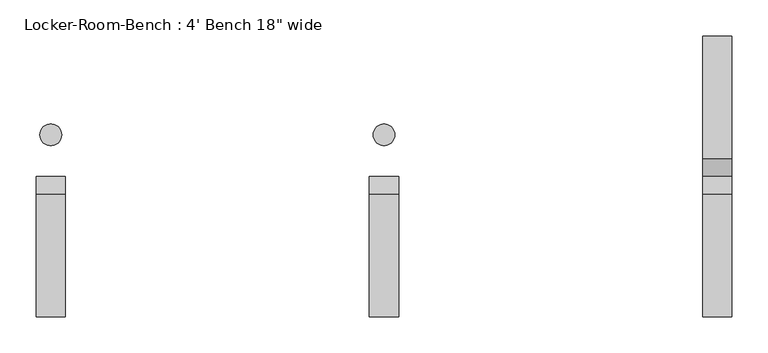
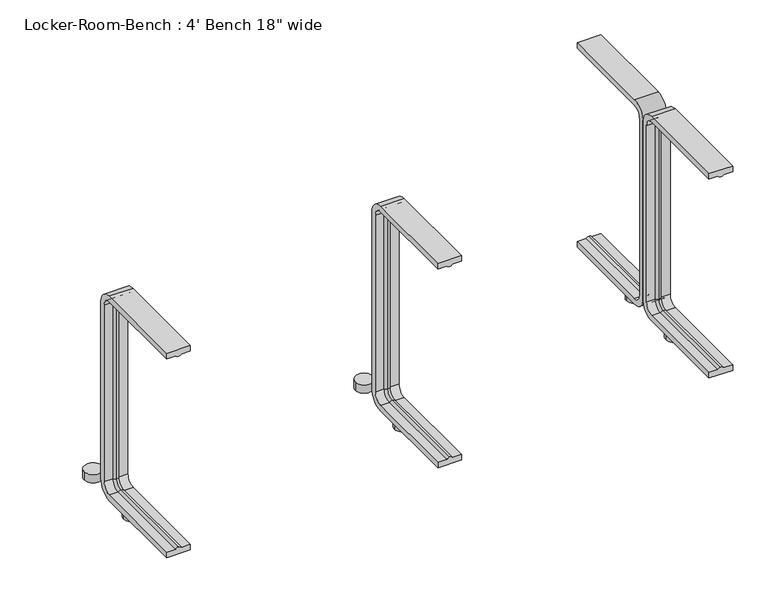
"""IFC4 building model written with IfcOpenShell, lengths in millimetres: proxy geometry."""

from ifc_helpers import new_model, si_unit, point, frame, frame_2d, origin, origin_with_axes, place, context, project, spatial, polyline, circle_curve, ellipse_curve, trimmed, segment, composite_curve, outline, extrude, source, transform, mapped, element, save
from ifc_brep_helpers import plane_surface, cylinder_surface, revolved_surface, advanced_brep


def proxy_384fcff8(model_context):
    return source(origin(), model_context, "Body", "SolidModel", [
        extrude(outline(composite_curve([segment(trimmed(circle_curve(frame_2d((459.6, 57.5)), 15.0), [point((444.6, 57.5))], [point((474.6, 57.5))], False, "CARTESIAN"), True, "CONTINUOUS"), segment(trimmed(circle_curve(frame_2d((459.6, 57.5)), 15.0), [point((474.6, 57.5))], [point((444.6, 57.5))], False, "CARTESIAN"), True, "CONTINUOUS")], self_intersect=False)), origin_with_axes(), (0.0, 0.0, 1.0), 15.0),
        extrude(outline(composite_curve([segment(trimmed(circle_curve(frame_2d((459.6, -57.5)), 15.0), [point((444.6, -57.5))], [point((474.6, -57.5))], False, "CARTESIAN"), True, "CONTINUOUS"), segment(trimmed(circle_curve(frame_2d((459.6, -57.5)), 15.0), [point((474.6, -57.5))], [point((444.6, -57.5))], False, "CARTESIAN"), True, "CONTINUOUS")], self_intersect=False)), origin_with_axes(), (0.0, 0.0, 1.0), 15.0),
        extrude(outline(composite_curve([segment(trimmed(circle_curve(frame_2d((0.0, 57.5)), 15.0), [point((-15.0, 57.5))], [point((15.0, 57.5))], False, "CARTESIAN"), True, "CONTINUOUS"), segment(trimmed(circle_curve(frame_2d((0.0, 57.5)), 15.0), [point((15.0, 57.5))], [point((-15.0, 57.5))], False, "CARTESIAN"), True, "CONTINUOUS")], self_intersect=False)), origin_with_axes(), (0.0, 0.0, 1.0), 15.0),
        extrude(outline(composite_curve([segment(trimmed(circle_curve(frame_2d((0.0, -57.5)), 15.0), [point((-15.0, -57.5))], [point((15.0, -57.5))], False, "CARTESIAN"), True, "CONTINUOUS"), segment(trimmed(circle_curve(frame_2d((0.0, -57.5)), 15.0), [point((15.0, -57.5))], [point((-15.0, -57.5))], False, "CARTESIAN"), True, "CONTINUOUS")], self_intersect=False)), origin_with_axes(), (0.0, 0.0, 1.0), 15.0),
        extrude(outline(composite_curve([segment(trimmed(circle_curve(frame_2d((-459.6, 57.5)), 15.0), [point((-474.6, 57.5))], [point((-444.6, 57.5))], False, "CARTESIAN"), True, "CONTINUOUS"), segment(trimmed(circle_curve(frame_2d((-459.6, 57.5)), 15.0), [point((-444.6, 57.5))], [point((-474.6, 57.5))], False, "CARTESIAN"), True, "CONTINUOUS")], self_intersect=False)), origin_with_axes(), (0.0, 0.0, 1.0), 15.0),
        extrude(outline(composite_curve([segment(trimmed(circle_curve(frame_2d((-459.6, -57.5)), 15.0), [point((-474.6, -57.5))], [point((-444.6, -57.5))], False, "CARTESIAN"), True, "CONTINUOUS"), segment(trimmed(circle_curve(frame_2d((-459.6, -57.5)), 15.0), [point((-444.6, -57.5))], [point((-474.6, -57.5))], False, "CARTESIAN"), True, "CONTINUOUS")], self_intersect=False)), origin_with_axes(), (0.0, 0.0, 1.0), 15.0),
        advanced_brep(
        [(479.6, -193.6, 381.4), (439.6, -193.6, 381.4), (439.6, -193.6, 371.4), (454.6, -193.6, 371.4), (459.6, -193.6, 369.0684617), (464.6, -193.6, 371.4), (479.6, -193.6, 371.4), (479.6, -25.0, 371.4), (479.6, -10.0, 356.4), (479.6, -10.0, 40.0), (479.6, -25.0, 25.0), (479.6, -193.6, 25.0), (479.6, -193.6, 15.0), (479.6, -25.0, 15.0), (479.6, 0.0, 40.0), (479.6, 0.0, 356.4), (479.6, -25.0, 381.4), (464.6, -25.0, 371.4), (459.6, -25.0, 369.0684617), (454.6, -25.0, 371.4), (439.6, -25.0, 371.4), (439.6, -25.0, 381.4), (439.6, 0.0, 356.4), (439.6, 0.0, 40.0), (439.6, -25.0, 15.0), (439.6, -193.6, 15.0), (439.6, -193.6, 25.0), (439.6, -25.0, 25.0), (439.6, -10.0, 40.0), (439.6, -10.0, 356.4), (464.6, -10.0, 356.4), (459.6, -12.3315383, 356.4), (454.6, -10.0, 356.4), (464.6, -10.0, 40.0), (459.6, -12.3315383, 40.0), (454.6, -10.0, 40.0), (464.6, -25.0, 25.0), (459.6, -25.0, 27.3315383), (454.6, -25.0, 25.0), (464.6, -193.6, 25.0), (459.6, -193.6, 27.3315383), (454.6, -193.6, 25.0)],
        [
            (0, 1),
            (1, 2),
            (2, 3),
            (3, 4, circle_curve(frame((459.3003591, -193.6, 374.9529162), z_axis=(0.0, -1.0, 0.0), x_axis=(0.0, 0.0, -1.0)), 5.8920785)),
            (4, 5, circle_curve(frame((459.8996409, -193.6, 374.9529162), z_axis=(0.0, -1.0, 0.0), x_axis=(0.0, 0.0, -1.0)), 5.8920785)),
            (5, 6),
            (6, 0),
            (6, 7),
            (7, 8, circle_curve(frame((479.6, -25.0, 356.4), z_axis=(-1.0, 0.0, 0.0), x_axis=(0.0, 0.0, 1.0)), 15.0)),
            (8, 9),
            (9, 10, circle_curve(frame((479.6, -25.0, 40.0), z_axis=(-1.0, 0.0, 0.0), x_axis=(0.0, 1.0, 0.0)), 15.0)),
            (10, 11),
            (11, 12),
            (12, 13),
            (13, 14, circle_curve(frame((479.6, -25.0, 40.0), z_axis=(1.0, 0.0, 0.0), x_axis=(0.0, 1.0, 0.0)), 25.0)),
            (14, 15),
            (15, 16, circle_curve(frame((479.6, -25.0, 356.4), z_axis=(1.0, 0.0, 0.0), x_axis=(0.0, 0.0, 1.0)), 25.0)),
            (16, 0),
            (5, 17),
            (17, 7),
            (4, 18),
            (18, 17, circle_curve(frame((459.8996409, -25.0, 374.9529162), z_axis=(0.0, -1.0, 0.0), x_axis=(0.0, 0.0, -1.0)), 5.8920785)),
            (3, 19),
            (19, 18, circle_curve(frame((459.3003591, -25.0, 374.9529162), z_axis=(0.0, -1.0, 0.0), x_axis=(0.0, 0.0, -1.0)), 5.8920785)),
            (2, 20),
            (20, 19),
            (1, 21),
            (21, 22, circle_curve(frame((439.6, -25.0, 356.4), z_axis=(-1.0, 0.0, 0.0), x_axis=(0.0, 0.0, 1.0)), 25.0)),
            (22, 23),
            (23, 24, circle_curve(frame((439.6, -25.0, 40.0), z_axis=(-1.0, 0.0, 0.0), x_axis=(0.0, 1.0, 0.0)), 25.0)),
            (24, 25),
            (25, 26),
            (26, 27),
            (27, 28, circle_curve(frame((439.6, -25.0, 40.0), z_axis=(1.0, 0.0, 0.0), x_axis=(0.0, 1.0, 0.0)), 15.0)),
            (28, 29),
            (29, 20, circle_curve(frame((439.6, -25.0, 356.4), z_axis=(1.0, 0.0, 0.0), x_axis=(0.0, 0.0, 1.0)), 15.0)),
            (16, 21),
            (30, 8),
            (17, 30, circle_curve(frame((464.6, -25.0, 356.4), z_axis=(-1.0, 0.0, 0.0), x_axis=(0.0, 0.0, 1.0)), 15.0)),
            (31, 30, circle_curve(frame((459.8996409, -6.4470838, 356.4), z_axis=(0.0, 0.0, 1.0), x_axis=(0.0, -1.0, 0.0)), 5.8920785)),
            (18, 31, circle_curve(frame((459.6, -25.0, 356.4), z_axis=(-1.0, 0.0, 0.0), x_axis=(0.0, 0.0, 1.0)), 12.6684617)),
            (32, 31, circle_curve(frame((459.3003591, -6.4470838, 356.4), z_axis=(0.0, 0.0, 1.0), x_axis=(0.0, -1.0, 0.0)), 5.8920785)),
            (19, 32, circle_curve(frame((454.6, -25.0, 356.4), z_axis=(-1.0, 0.0, 0.0), x_axis=(0.0, 0.0, 1.0)), 15.0)),
            (29, 32),
            (15, 22),
            (30, 33),
            (33, 9),
            (31, 34),
            (34, 33, circle_curve(frame((459.8996409, -6.4470838, 40.0), z_axis=(0.0, 0.0, 1.0), x_axis=(0.0, -1.0, 0.0)), 5.8920785)),
            (32, 35),
            (35, 34, circle_curve(frame((459.3003591, -6.4470838, 40.0), z_axis=(0.0, 0.0, 1.0), x_axis=(0.0, -1.0, 0.0)), 5.8920785)),
            (28, 35),
            (14, 23),
            (36, 10),
            (33, 36, circle_curve(frame((464.6, -25.0, 40.0), z_axis=(-1.0, 0.0, 0.0), x_axis=(0.0, 1.0, 0.0)), 15.0)),
            (37, 36, circle_curve(frame((459.8996409, -25.0, 21.4470838), z_axis=(0.0, 1.0, 0.0), x_axis=(0.0, 0.0, 1.0)), 5.8920785)),
            (34, 37, circle_curve(frame((459.6, -25.0, 40.0), z_axis=(-1.0, 0.0, 0.0), x_axis=(0.0, 1.0, 0.0)), 12.6684617)),
            (38, 37, circle_curve(frame((459.3003591, -25.0, 21.4470838), z_axis=(0.0, 1.0, 0.0), x_axis=(0.0, 0.0, 1.0)), 5.8920785)),
            (35, 38, circle_curve(frame((454.6, -25.0, 40.0), z_axis=(-1.0, 0.0, 0.0), x_axis=(0.0, 1.0, 0.0)), 15.0)),
            (27, 38),
            (13, 24),
            (11, 39),
            (39, 40, circle_curve(frame((459.8996409, -193.6, 21.4470838), z_axis=(0.0, -1.0, 0.0), x_axis=(0.0, 0.0, 1.0)), 5.8920785)),
            (40, 41, circle_curve(frame((459.3003591, -193.6, 21.4470838), z_axis=(0.0, -1.0, 0.0), x_axis=(0.0, 0.0, 1.0)), 5.8920785)),
            (41, 26),
            (25, 12),
            (36, 39),
            (37, 40),
            (38, 41),
        ],
        [
            plane_surface(frame((459.6, -193.6, 381.4), z_axis=(0.0, -1.0, 0.0), x_axis=(1.0, 0.0, 0.0))),
            plane_surface(frame((479.6, -193.6, 381.4), z_axis=(1.0, 0.0, 0.0), x_axis=(0.0, 1.0, 0.0))),
            plane_surface(frame((479.6, -193.6, 371.4), z_axis=(0.0, 0.0, -1.0), x_axis=(0.0, 1.0, 0.0))),
            cylinder_surface(frame((459.8996409, -193.6, 374.9529162), z_axis=(0.0, -1.0, 0.0), x_axis=(0.0, 0.0, -1.0)), 5.8920785),
            cylinder_surface(frame((459.3003591, -193.6, 374.9529162), z_axis=(0.0, -1.0, 0.0), x_axis=(0.0, 0.0, -1.0)), 5.8920785),
            plane_surface(frame((454.6, -193.6, 371.4), z_axis=(0.0, 0.0, -1.0), x_axis=(0.0, 1.0, 0.0))),
            plane_surface(frame((439.6, -193.6, 371.4), z_axis=(-1.0, 0.0, 0.0), x_axis=(0.0, 1.0, 0.0))),
            plane_surface(frame((439.6, -193.6, 381.4), z_axis=(0.0, 0.0, 1.0), x_axis=(0.0, 1.0, 0.0))),
            revolved_surface(polyline([(479.6, -25.0, 371.4), (464.6, -25.0, 371.4)]), (459.6, -25.0, 356.4), (1.0, 0.0, 0.0)),
            revolved_surface(trimmed(ellipse_curve(frame((459.8996409, -25.0, 374.9529162), z_axis=(0.0, 1.0, 0.0), x_axis=(0.0, 0.0, -1.0)), 5.8920785, 5.8920785), [point((464.6, -25.0, 371.4))], [point((459.6, -25.0, 369.0684617))], True, "CARTESIAN"), (459.6, -25.0, 356.4), (1.0, 0.0, 0.0)),
            revolved_surface(trimmed(ellipse_curve(frame((459.3003591, -25.0, 374.9529162), z_axis=(0.0, 1.0, 0.0), x_axis=(0.0, 0.0, -1.0)), 5.8920785, 5.8920785), [point((459.6, -25.0, 369.0684617))], [point((454.6, -25.0, 371.4))], True, "CARTESIAN"), (459.6, -25.0, 356.4), (1.0, 0.0, 0.0)),
            revolved_surface(polyline([(454.6, -25.0, 371.4), (439.6, -25.0, 371.4)]), (459.6, -25.0, 356.4), (1.0, 0.0, 0.0)),
            cylinder_surface(frame((459.6, -25.0, 356.4), z_axis=(1.0, 0.0, 0.0), x_axis=(0.0, 0.0, 1.0)), 25.0),
            plane_surface(frame((479.6, -10.0, 356.4), z_axis=(0.0, -1.0, 0.0), x_axis=(0.0, 0.0, -1.0))),
            cylinder_surface(frame((459.8996409, -6.4470838, 356.4), z_axis=(0.0, 0.0, 1.0), x_axis=(0.0, -1.0, 0.0)), 5.8920785),
            cylinder_surface(frame((459.3003591, -6.4470838, 356.4), z_axis=(0.0, 0.0, 1.0), x_axis=(0.0, -1.0, 0.0)), 5.8920785),
            plane_surface(frame((454.6, -10.0, 356.4), z_axis=(0.0, -1.0, 0.0), x_axis=(0.0, 0.0, -1.0))),
            plane_surface(frame((439.6, 0.0, 356.4), z_axis=(0.0, 1.0, 0.0), x_axis=(0.0, 0.0, -1.0))),
            revolved_surface(polyline([(479.6, -10.0, 40.0), (464.6, -10.0, 40.0)]), (459.6, -25.0, 40.0), (1.0, 0.0, 0.0)),
            revolved_surface(trimmed(ellipse_curve(frame((459.8996409, -6.4470838, 40.0), z_axis=(0.0, 0.0, -1.0), x_axis=(0.0, -1.0, 0.0)), 5.8920785, 5.8920785), [point((464.6, -10.0, 40.0))], [point((459.6, -12.3315383, 40.0))], True, "CARTESIAN"), (459.6, -25.0, 40.0), (1.0, 0.0, 0.0)),
            revolved_surface(trimmed(ellipse_curve(frame((459.3003591, -6.4470838, 40.0), z_axis=(0.0, 0.0, -1.0), x_axis=(0.0, -1.0, 0.0)), 5.8920785, 5.8920785), [point((459.6, -12.3315383, 40.0))], [point((454.6, -10.0, 40.0))], True, "CARTESIAN"), (459.6, -25.0, 40.0), (1.0, 0.0, 0.0)),
            revolved_surface(polyline([(454.6, -10.0, 40.0), (439.6, -10.0, 40.0)]), (459.6, -25.0, 40.0), (1.0, 0.0, 0.0)),
            cylinder_surface(frame((459.6, -25.0, 40.0), z_axis=(1.0, 0.0, 0.0), x_axis=(0.0, 1.0, 0.0)), 25.0),
            plane_surface(frame((459.6, -193.6, 15.0), z_axis=(0.0, -1.0, 0.0), x_axis=(1.0, 0.0, 0.0))),
            plane_surface(frame((479.6, -25.0, 25.0), z_axis=(0.0, 0.0, 1.0), x_axis=(0.0, -1.0, 0.0))),
            cylinder_surface(frame((459.8996409, -25.0, 21.4470838), z_axis=(0.0, 1.0, 0.0), x_axis=(0.0, 0.0, 1.0)), 5.8920785),
            cylinder_surface(frame((459.3003591, -25.0, 21.4470838), z_axis=(0.0, 1.0, 0.0), x_axis=(0.0, 0.0, 1.0)), 5.8920785),
            plane_surface(frame((454.6, -25.0, 25.0), z_axis=(0.0, 0.0, 1.0), x_axis=(0.0, -1.0, 0.0))),
            plane_surface(frame((439.6, -25.0, 15.0), z_axis=(0.0, 0.0, -1.0), x_axis=(0.0, -1.0, 0.0))),
        ],
        [
            (0, [[1, 2, 3, 4, 5, 6, 7]]),
            (1, [[8, 9, 10, 11, 12, 13, 14, 15, 16, 17, 18, -7]]),
            (2, [[19, 20, -8, -6]]),
            (3, [[21, 22, -19, -5]]),
            (4, [[23, 24, -21, -4]]),
            (5, [[25, 26, -23, -3]]),
            (6, [[27, 28, 29, 30, 31, 32, 33, 34, 35, 36, -25, -2]]),
            (7, [[-18, 37, -27, -1]]),
            (8, [[38, -9, -20, 39]]),
            (9, [[40, -39, -22, 41]]),
            (10, [[42, -41, -24, 43]]),
            (11, [[44, -43, -26, -36]]),
            (12, [[45, -28, -37, -17]]),
            (13, [[46, 47, -10, -38]]),
            (14, [[48, 49, -46, -40]]),
            (15, [[50, 51, -48, -42]]),
            (16, [[-35, 52, -50, -44]]),
            (17, [[-16, 53, -29, -45]]),
            (18, [[54, -11, -47, 55]]),
            (19, [[56, -55, -49, 57]]),
            (20, [[58, -57, -51, 59]]),
            (21, [[60, -59, -52, -34]]),
            (22, [[61, -30, -53, -15]]),
            (23, [[-13, 62, 63, 64, 65, -32, 66]]),
            (24, [[67, -62, -12, -54]]),
            (25, [[68, -63, -67, -56]]),
            (26, [[69, -64, -68, -58]]),
            (27, [[-33, -65, -69, -60]]),
            (28, [[-14, -66, -31, -61]]),
        ],
    ),
        advanced_brep(
        [(20.0, -193.6, 381.4), (-20.0, -193.6, 381.4), (-20.0, -193.6, 371.4), (-5.0, -193.6, 371.4), (0.0, -193.6, 369.0684617), (5.0, -193.6, 371.4), (20.0, -193.6, 371.4), (20.0, -25.0, 371.4), (20.0, -10.0, 356.4), (20.0, -10.0, 40.0), (20.0, -25.0, 25.0), (20.0, -193.6, 25.0), (20.0, -193.6, 15.0), (20.0, -25.0, 15.0), (20.0, 0.0, 40.0), (20.0, 0.0, 356.4), (20.0, -25.0, 381.4), (5.0, -25.0, 371.4), (0.0, -25.0, 369.0684617), (-5.0, -25.0, 371.4), (-20.0, -25.0, 371.4), (-20.0, -25.0, 381.4), (-20.0, 0.0, 356.4), (-20.0, 0.0, 40.0), (-20.0, -25.0, 15.0), (-20.0, -193.6, 15.0), (-20.0, -193.6, 25.0), (-20.0, -25.0, 25.0), (-20.0, -10.0, 40.0), (-20.0, -10.0, 356.4), (5.0, -10.0, 356.4), (0.0, -12.3315383, 356.4), (-5.0, -10.0, 356.4), (5.0, -10.0, 40.0), (0.0, -12.3315383, 40.0), (-5.0, -10.0, 40.0), (5.0, -25.0, 25.0), (0.0, -25.0, 27.3315383), (-5.0, -25.0, 25.0), (5.0, -193.6, 25.0), (0.0, -193.6, 27.3315383), (-5.0, -193.6, 25.0)],
        [
            (0, 1),
            (1, 2),
            (2, 3),
            (3, 4, circle_curve(frame((-0.2996409, -193.6, 374.9529162), z_axis=(0.0, -1.0, 0.0), x_axis=(0.0, 0.0, -1.0)), 5.8920785)),
            (4, 5, circle_curve(frame((0.2996409, -193.6, 374.9529162), z_axis=(0.0, -1.0, 0.0), x_axis=(0.0, 0.0, -1.0)), 5.8920785)),
            (5, 6),
            (6, 0),
            (6, 7),
            (7, 8, circle_curve(frame((20.0, -25.0, 356.4), z_axis=(-1.0, 0.0, 0.0), x_axis=(0.0, 0.0, 1.0)), 15.0)),
            (8, 9),
            (9, 10, circle_curve(frame((20.0, -25.0, 40.0), z_axis=(-1.0, 0.0, 0.0), x_axis=(0.0, 1.0, 0.0)), 15.0)),
            (10, 11),
            (11, 12),
            (12, 13),
            (13, 14, circle_curve(frame((20.0, -25.0, 40.0), z_axis=(1.0, 0.0, 0.0), x_axis=(0.0, 1.0, 0.0)), 25.0)),
            (14, 15),
            (15, 16, circle_curve(frame((20.0, -25.0, 356.4), z_axis=(1.0, 0.0, 0.0), x_axis=(0.0, 0.0, 1.0)), 25.0)),
            (16, 0),
            (5, 17),
            (17, 7),
            (4, 18),
            (18, 17, circle_curve(frame((0.2996409, -25.0, 374.9529162), z_axis=(0.0, -1.0, 0.0), x_axis=(0.0, 0.0, -1.0)), 5.8920785)),
            (3, 19),
            (19, 18, circle_curve(frame((-0.2996409, -25.0, 374.9529162), z_axis=(0.0, -1.0, 0.0), x_axis=(0.0, 0.0, -1.0)), 5.8920785)),
            (2, 20),
            (20, 19),
            (1, 21),
            (21, 22, circle_curve(frame((-20.0, -25.0, 356.4), z_axis=(-1.0, 0.0, 0.0), x_axis=(0.0, 0.0, 1.0)), 25.0)),
            (22, 23),
            (23, 24, circle_curve(frame((-20.0, -25.0, 40.0), z_axis=(-1.0, 0.0, 0.0), x_axis=(0.0, 1.0, 0.0)), 25.0)),
            (24, 25),
            (25, 26),
            (26, 27),
            (27, 28, circle_curve(frame((-20.0, -25.0, 40.0), z_axis=(1.0, 0.0, 0.0), x_axis=(0.0, 1.0, 0.0)), 15.0)),
            (28, 29),
            (29, 20, circle_curve(frame((-20.0, -25.0, 356.4), z_axis=(1.0, 0.0, 0.0), x_axis=(0.0, 0.0, 1.0)), 15.0)),
            (16, 21),
            (30, 8),
            (17, 30, circle_curve(frame((5.0, -25.0, 356.4), z_axis=(-1.0, 0.0, 0.0), x_axis=(0.0, 0.0, 1.0)), 15.0)),
            (31, 30, circle_curve(frame((0.2996409, -6.4470838, 356.4), z_axis=(0.0, 0.0, 1.0), x_axis=(0.0, -1.0, 0.0)), 5.8920785)),
            (18, 31, circle_curve(frame((0.0, -25.0, 356.4), z_axis=(-1.0, 0.0, 0.0), x_axis=(0.0, 0.0, 1.0)), 12.6684617)),
            (32, 31, circle_curve(frame((-0.2996409, -6.4470838, 356.4), z_axis=(0.0, 0.0, 1.0), x_axis=(0.0, -1.0, 0.0)), 5.8920785)),
            (19, 32, circle_curve(frame((-5.0, -25.0, 356.4), z_axis=(-1.0, 0.0, 0.0), x_axis=(0.0, 0.0, 1.0)), 15.0)),
            (29, 32),
            (15, 22),
            (30, 33),
            (33, 9),
            (31, 34),
            (34, 33, circle_curve(frame((0.2996409, -6.4470838, 40.0), z_axis=(0.0, 0.0, 1.0), x_axis=(0.0, -1.0, 0.0)), 5.8920785)),
            (32, 35),
            (35, 34, circle_curve(frame((-0.2996409, -6.4470838, 40.0), z_axis=(0.0, 0.0, 1.0), x_axis=(0.0, -1.0, 0.0)), 5.8920785)),
            (28, 35),
            (14, 23),
            (36, 10),
            (33, 36, circle_curve(frame((5.0, -25.0, 40.0), z_axis=(-1.0, 0.0, 0.0), x_axis=(0.0, 1.0, 0.0)), 15.0)),
            (37, 36, circle_curve(frame((0.2996409, -25.0, 21.4470838), z_axis=(0.0, 1.0, 0.0), x_axis=(0.0, 0.0, 1.0)), 5.8920785)),
            (34, 37, circle_curve(frame((0.0, -25.0, 40.0), z_axis=(-1.0, 0.0, 0.0), x_axis=(0.0, 1.0, 0.0)), 12.6684617)),
            (38, 37, circle_curve(frame((-0.2996409, -25.0, 21.4470838), z_axis=(0.0, 1.0, 0.0), x_axis=(0.0, 0.0, 1.0)), 5.8920785)),
            (35, 38, circle_curve(frame((-5.0, -25.0, 40.0), z_axis=(-1.0, 0.0, 0.0), x_axis=(0.0, 1.0, 0.0)), 15.0)),
            (27, 38),
            (13, 24),
            (11, 39),
            (39, 40, circle_curve(frame((0.2996409, -193.6, 21.4470838), z_axis=(0.0, -1.0, 0.0), x_axis=(0.0, 0.0, 1.0)), 5.8920785)),
            (40, 41, circle_curve(frame((-0.2996409, -193.6, 21.4470838), z_axis=(0.0, -1.0, 0.0), x_axis=(0.0, 0.0, 1.0)), 5.8920785)),
            (41, 26),
            (25, 12),
            (36, 39),
            (37, 40),
            (38, 41),
        ],
        [
            plane_surface(frame((0.0, -193.6, 381.4), z_axis=(0.0, -1.0, 0.0), x_axis=(1.0, 0.0, 0.0))),
            plane_surface(frame((20.0, -193.6, 381.4), z_axis=(1.0, 0.0, 0.0), x_axis=(0.0, 1.0, 0.0))),
            plane_surface(frame((20.0, -193.6, 371.4), z_axis=(0.0, 0.0, -1.0), x_axis=(0.0, 1.0, 0.0))),
            cylinder_surface(frame((0.2996409, -193.6, 374.9529162), z_axis=(0.0, -1.0, 0.0), x_axis=(0.0, 0.0, -1.0)), 5.8920785),
            cylinder_surface(frame((-0.2996409, -193.6, 374.9529162), z_axis=(0.0, -1.0, 0.0), x_axis=(0.0, 0.0, -1.0)), 5.8920785),
            plane_surface(frame((-5.0, -193.6, 371.4), z_axis=(0.0, 0.0, -1.0), x_axis=(0.0, 1.0, 0.0))),
            plane_surface(frame((-20.0, -193.6, 371.4), z_axis=(-1.0, 0.0, 0.0), x_axis=(0.0, 1.0, 0.0))),
            plane_surface(frame((-20.0, -193.6, 381.4), z_axis=(0.0, 0.0, 1.0), x_axis=(0.0, 1.0, 0.0))),
            revolved_surface(polyline([(20.0, -25.0, 371.4), (5.0, -25.0, 371.4)]), (0.0, -25.0, 356.4), (1.0, 0.0, 0.0)),
            revolved_surface(trimmed(ellipse_curve(frame((0.2996409, -25.0, 374.9529162), z_axis=(0.0, 1.0, 0.0), x_axis=(0.0, 0.0, -1.0)), 5.8920785, 5.8920785), [point((5.0, -25.0, 371.4))], [point((0.0, -25.0, 369.0684617))], True, "CARTESIAN"), (0.0, -25.0, 356.4), (1.0, 0.0, 0.0)),
            revolved_surface(trimmed(ellipse_curve(frame((-0.2996409, -25.0, 374.9529162), z_axis=(0.0, 1.0, 0.0), x_axis=(0.0, 0.0, -1.0)), 5.8920785, 5.8920785), [point((0.0, -25.0, 369.0684617))], [point((-5.0, -25.0, 371.4))], True, "CARTESIAN"), (0.0, -25.0, 356.4), (1.0, 0.0, 0.0)),
            revolved_surface(polyline([(-5.0, -25.0, 371.4), (-20.0, -25.0, 371.4)]), (0.0, -25.0, 356.4), (1.0, 0.0, 0.0)),
            cylinder_surface(frame((0.0, -25.0, 356.4), z_axis=(1.0, 0.0, 0.0), x_axis=(0.0, 0.0, 1.0)), 25.0),
            plane_surface(frame((20.0, -10.0, 356.4), z_axis=(0.0, -1.0, 0.0), x_axis=(0.0, 0.0, -1.0))),
            cylinder_surface(frame((0.2996409, -6.4470838, 356.4), z_axis=(0.0, 0.0, 1.0), x_axis=(0.0, -1.0, 0.0)), 5.8920785),
            cylinder_surface(frame((-0.2996409, -6.4470838, 356.4), z_axis=(0.0, 0.0, 1.0), x_axis=(0.0, -1.0, 0.0)), 5.8920785),
            plane_surface(frame((-5.0, -10.0, 356.4), z_axis=(0.0, -1.0, 0.0), x_axis=(0.0, 0.0, -1.0))),
            plane_surface(frame((-20.0, 0.0, 356.4), z_axis=(0.0, 1.0, 0.0), x_axis=(0.0, 0.0, -1.0))),
            revolved_surface(polyline([(20.0, -10.0, 40.0), (5.0, -10.0, 40.0)]), (0.0, -25.0, 40.0), (1.0, 0.0, 0.0)),
            revolved_surface(trimmed(ellipse_curve(frame((0.2996409, -6.4470838, 40.0), z_axis=(0.0, 0.0, -1.0), x_axis=(0.0, -1.0, 0.0)), 5.8920785, 5.8920785), [point((5.0, -10.0, 40.0))], [point((0.0, -12.3315383, 40.0))], True, "CARTESIAN"), (0.0, -25.0, 40.0), (1.0, 0.0, 0.0)),
            revolved_surface(trimmed(ellipse_curve(frame((-0.2996409, -6.4470838, 40.0), z_axis=(0.0, 0.0, -1.0), x_axis=(0.0, -1.0, 0.0)), 5.8920785, 5.8920785), [point((0.0, -12.3315383, 40.0))], [point((-5.0, -10.0, 40.0))], True, "CARTESIAN"), (0.0, -25.0, 40.0), (1.0, 0.0, 0.0)),
            revolved_surface(polyline([(-5.0, -10.0, 40.0), (-20.0, -10.0, 40.0)]), (0.0, -25.0, 40.0), (1.0, 0.0, 0.0)),
            cylinder_surface(frame((0.0, -25.0, 40.0), z_axis=(1.0, 0.0, 0.0), x_axis=(0.0, 1.0, 0.0)), 25.0),
            plane_surface(frame((0.0, -193.6, 15.0), z_axis=(0.0, -1.0, 0.0), x_axis=(1.0, 0.0, 0.0))),
            plane_surface(frame((20.0, -25.0, 25.0), z_axis=(0.0, 0.0, 1.0), x_axis=(0.0, -1.0, 0.0))),
            cylinder_surface(frame((0.2996409, -25.0, 21.4470838), z_axis=(0.0, 1.0, 0.0), x_axis=(0.0, 0.0, 1.0)), 5.8920785),
            cylinder_surface(frame((-0.2996409, -25.0, 21.4470838), z_axis=(0.0, 1.0, 0.0), x_axis=(0.0, 0.0, 1.0)), 5.8920785),
            plane_surface(frame((-5.0, -25.0, 25.0), z_axis=(0.0, 0.0, 1.0), x_axis=(0.0, -1.0, 0.0))),
            plane_surface(frame((-20.0, -25.0, 15.0), z_axis=(0.0, 0.0, -1.0), x_axis=(0.0, -1.0, 0.0))),
        ],
        [
            (0, [[1, 2, 3, 4, 5, 6, 7]]),
            (1, [[8, 9, 10, 11, 12, 13, 14, 15, 16, 17, 18, -7]]),
            (2, [[19, 20, -8, -6]]),
            (3, [[21, 22, -19, -5]]),
            (4, [[23, 24, -21, -4]]),
            (5, [[25, 26, -23, -3]]),
            (6, [[27, 28, 29, 30, 31, 32, 33, 34, 35, 36, -25, -2]]),
            (7, [[-18, 37, -27, -1]]),
            (8, [[38, -9, -20, 39]]),
            (9, [[40, -39, -22, 41]]),
            (10, [[42, -41, -24, 43]]),
            (11, [[44, -43, -26, -36]]),
            (12, [[45, -28, -37, -17]]),
            (13, [[46, 47, -10, -38]]),
            (14, [[48, 49, -46, -40]]),
            (15, [[50, 51, -48, -42]]),
            (16, [[-35, 52, -50, -44]]),
            (17, [[-16, 53, -29, -45]]),
            (18, [[54, -11, -47, 55]]),
            (19, [[56, -55, -49, 57]]),
            (20, [[58, -57, -51, 59]]),
            (21, [[60, -59, -52, -34]]),
            (22, [[61, -30, -53, -15]]),
            (23, [[-13, 62, 63, 64, 65, -32, 66]]),
            (24, [[67, -62, -12, -54]]),
            (25, [[68, -63, -67, -56]]),
            (26, [[69, -64, -68, -58]]),
            (27, [[-33, -65, -69, -60]]),
            (28, [[-14, -66, -31, -61]]),
        ],
    ),
        advanced_brep(
        [(-439.6, -193.6, 381.4), (-479.6, -193.6, 381.4), (-479.6, -193.6, 371.4), (-464.6, -193.6, 371.4), (-459.6, -193.6, 369.0684617), (-454.6, -193.6, 371.4), (-439.6, -193.6, 371.4), (-439.6, -25.0, 371.4), (-439.6, -10.0, 356.4), (-439.6, -10.0, 40.0), (-439.6, -25.0, 25.0), (-439.6, -193.6, 25.0), (-439.6, -193.6, 15.0), (-439.6, -25.0, 15.0), (-439.6, 0.0, 40.0), (-439.6, 0.0, 356.4), (-439.6, -25.0, 381.4), (-454.6, -25.0, 371.4), (-459.6, -25.0, 369.0684617), (-464.6, -25.0, 371.4), (-479.6, -25.0, 371.4), (-479.6, -25.0, 381.4), (-479.6, 0.0, 356.4), (-479.6, 0.0, 40.0), (-479.6, -25.0, 15.0), (-479.6, -193.6, 15.0), (-479.6, -193.6, 25.0), (-479.6, -25.0, 25.0), (-479.6, -10.0, 40.0), (-479.6, -10.0, 356.4), (-454.6, -10.0, 356.4), (-459.6, -12.3315383, 356.4), (-464.6, -10.0, 356.4), (-454.6, -10.0, 40.0), (-459.6, -12.3315383, 40.0), (-464.6, -10.0, 40.0), (-454.6, -25.0, 25.0), (-459.6, -25.0, 27.3315383), (-464.6, -25.0, 25.0), (-454.6, -193.6, 25.0), (-459.6, -193.6, 27.3315383), (-464.6, -193.6, 25.0)],
        [
            (0, 1),
            (1, 2),
            (2, 3),
            (3, 4, circle_curve(frame((-459.8996409, -193.6, 374.9529162), z_axis=(0.0, -1.0, 0.0), x_axis=(0.0, 0.0, -1.0)), 5.8920785)),
            (4, 5, circle_curve(frame((-459.3003591, -193.6, 374.9529162), z_axis=(0.0, -1.0, 0.0), x_axis=(0.0, 0.0, -1.0)), 5.8920785)),
            (5, 6),
            (6, 0),
            (6, 7),
            (7, 8, circle_curve(frame((-439.6, -25.0, 356.4), z_axis=(-1.0, 0.0, 0.0), x_axis=(0.0, 0.0, 1.0)), 15.0)),
            (8, 9),
            (9, 10, circle_curve(frame((-439.6, -25.0, 40.0), z_axis=(-1.0, 0.0, 0.0), x_axis=(0.0, 1.0, 0.0)), 15.0)),
            (10, 11),
            (11, 12),
            (12, 13),
            (13, 14, circle_curve(frame((-439.6, -25.0, 40.0), z_axis=(1.0, 0.0, 0.0), x_axis=(0.0, 1.0, 0.0)), 25.0)),
            (14, 15),
            (15, 16, circle_curve(frame((-439.6, -25.0, 356.4), z_axis=(1.0, 0.0, 0.0), x_axis=(0.0, 0.0, 1.0)), 25.0)),
            (16, 0),
            (5, 17),
            (17, 7),
            (4, 18),
            (18, 17, circle_curve(frame((-459.3003591, -25.0, 374.9529162), z_axis=(0.0, -1.0, 0.0), x_axis=(0.0, 0.0, -1.0)), 5.8920785)),
            (3, 19),
            (19, 18, circle_curve(frame((-459.8996409, -25.0, 374.9529162), z_axis=(0.0, -1.0, 0.0), x_axis=(0.0, 0.0, -1.0)), 5.8920785)),
            (2, 20),
            (20, 19),
            (1, 21),
            (21, 22, circle_curve(frame((-479.6, -25.0, 356.4), z_axis=(-1.0, 0.0, 0.0), x_axis=(0.0, 0.0, 1.0)), 25.0)),
            (22, 23),
            (23, 24, circle_curve(frame((-479.6, -25.0, 40.0), z_axis=(-1.0, 0.0, 0.0), x_axis=(0.0, 1.0, 0.0)), 25.0)),
            (24, 25),
            (25, 26),
            (26, 27),
            (27, 28, circle_curve(frame((-479.6, -25.0, 40.0), z_axis=(1.0, 0.0, 0.0), x_axis=(0.0, 1.0, 0.0)), 15.0)),
            (28, 29),
            (29, 20, circle_curve(frame((-479.6, -25.0, 356.4), z_axis=(1.0, 0.0, 0.0), x_axis=(0.0, 0.0, 1.0)), 15.0)),
            (16, 21),
            (30, 8),
            (17, 30, circle_curve(frame((-454.6, -25.0, 356.4), z_axis=(-1.0, 0.0, 0.0), x_axis=(0.0, 0.0, 1.0)), 15.0)),
            (31, 30, circle_curve(frame((-459.3003591, -6.4470838, 356.4), z_axis=(0.0, 0.0, 1.0), x_axis=(0.0, -1.0, 0.0)), 5.8920785)),
            (18, 31, circle_curve(frame((-459.6, -25.0, 356.4), z_axis=(-1.0, 0.0, 0.0), x_axis=(0.0, 0.0, 1.0)), 12.6684617)),
            (32, 31, circle_curve(frame((-459.8996409, -6.4470838, 356.4), z_axis=(0.0, 0.0, 1.0), x_axis=(0.0, -1.0, 0.0)), 5.8920785)),
            (19, 32, circle_curve(frame((-464.6, -25.0, 356.4), z_axis=(-1.0, 0.0, 0.0), x_axis=(0.0, 0.0, 1.0)), 15.0)),
            (29, 32),
            (15, 22),
            (30, 33),
            (33, 9),
            (31, 34),
            (34, 33, circle_curve(frame((-459.3003591, -6.4470838, 40.0), z_axis=(0.0, 0.0, 1.0), x_axis=(0.0, -1.0, 0.0)), 5.8920785)),
            (32, 35),
            (35, 34, circle_curve(frame((-459.8996409, -6.4470838, 40.0), z_axis=(0.0, 0.0, 1.0), x_axis=(0.0, -1.0, 0.0)), 5.8920785)),
            (28, 35),
            (14, 23),
            (36, 10),
            (33, 36, circle_curve(frame((-454.6, -25.0, 40.0), z_axis=(-1.0, 0.0, 0.0), x_axis=(0.0, 1.0, 0.0)), 15.0)),
            (37, 36, circle_curve(frame((-459.3003591, -25.0, 21.4470838), z_axis=(0.0, 1.0, 0.0), x_axis=(0.0, 0.0, 1.0)), 5.8920785)),
            (34, 37, circle_curve(frame((-459.6, -25.0, 40.0), z_axis=(-1.0, 0.0, 0.0), x_axis=(0.0, 1.0, 0.0)), 12.6684617)),
            (38, 37, circle_curve(frame((-459.8996409, -25.0, 21.4470838), z_axis=(0.0, 1.0, 0.0), x_axis=(0.0, 0.0, 1.0)), 5.8920785)),
            (35, 38, circle_curve(frame((-464.6, -25.0, 40.0), z_axis=(-1.0, 0.0, 0.0), x_axis=(0.0, 1.0, 0.0)), 15.0)),
            (27, 38),
            (13, 24),
            (11, 39),
            (39, 40, circle_curve(frame((-459.3003591, -193.6, 21.4470838), z_axis=(0.0, -1.0, 0.0), x_axis=(0.0, 0.0, 1.0)), 5.8920785)),
            (40, 41, circle_curve(frame((-459.8996409, -193.6, 21.4470838), z_axis=(0.0, -1.0, 0.0), x_axis=(0.0, 0.0, 1.0)), 5.8920785)),
            (41, 26),
            (25, 12),
            (36, 39),
            (37, 40),
            (38, 41),
        ],
        [
            plane_surface(frame((-459.6, -193.6, 381.4), z_axis=(0.0, -1.0, 0.0), x_axis=(1.0, 0.0, 0.0))),
            plane_surface(frame((-439.6, -193.6, 381.4), z_axis=(1.0, 0.0, 0.0), x_axis=(0.0, 1.0, 0.0))),
            plane_surface(frame((-439.6, -193.6, 371.4), z_axis=(0.0, 0.0, -1.0), x_axis=(0.0, 1.0, 0.0))),
            cylinder_surface(frame((-459.3003591, -193.6, 374.9529162), z_axis=(0.0, -1.0, 0.0), x_axis=(0.0, 0.0, -1.0)), 5.8920785),
            cylinder_surface(frame((-459.8996409, -193.6, 374.9529162), z_axis=(0.0, -1.0, 0.0), x_axis=(0.0, 0.0, -1.0)), 5.8920785),
            plane_surface(frame((-464.6, -193.6, 371.4), z_axis=(0.0, 0.0, -1.0), x_axis=(0.0, 1.0, 0.0))),
            plane_surface(frame((-479.6, -193.6, 371.4), z_axis=(-1.0, 0.0, 0.0), x_axis=(0.0, 1.0, 0.0))),
            plane_surface(frame((-479.6, -193.6, 381.4), z_axis=(0.0, 0.0, 1.0), x_axis=(0.0, 1.0, 0.0))),
            revolved_surface(polyline([(-439.6, -25.0, 371.4), (-454.6, -25.0, 371.4)]), (-459.6, -25.0, 356.4), (1.0, 0.0, 0.0)),
            revolved_surface(trimmed(ellipse_curve(frame((-459.3003591, -25.0, 374.9529162), z_axis=(0.0, 1.0, 0.0), x_axis=(0.0, 0.0, -1.0)), 5.8920785, 5.8920785), [point((-454.6, -25.0, 371.4))], [point((-459.6, -25.0, 369.0684617))], True, "CARTESIAN"), (-459.6, -25.0, 356.4), (1.0, 0.0, 0.0)),
            revolved_surface(trimmed(ellipse_curve(frame((-459.8996409, -25.0, 374.9529162), z_axis=(0.0, 1.0, 0.0), x_axis=(0.0, 0.0, -1.0)), 5.8920785, 5.8920785), [point((-459.6, -25.0, 369.0684617))], [point((-464.6, -25.0, 371.4))], True, "CARTESIAN"), (-459.6, -25.0, 356.4), (1.0, 0.0, 0.0)),
            revolved_surface(polyline([(-464.6, -25.0, 371.4), (-479.6, -25.0, 371.4)]), (-459.6, -25.0, 356.4), (1.0, 0.0, 0.0)),
            cylinder_surface(frame((-459.6, -25.0, 356.4), z_axis=(1.0, 0.0, 0.0), x_axis=(0.0, 0.0, 1.0)), 25.0),
            plane_surface(frame((-439.6, -10.0, 356.4), z_axis=(0.0, -1.0, 0.0), x_axis=(0.0, 0.0, -1.0))),
            cylinder_surface(frame((-459.3003591, -6.4470838, 356.4), z_axis=(0.0, 0.0, 1.0), x_axis=(0.0, -1.0, 0.0)), 5.8920785),
            cylinder_surface(frame((-459.8996409, -6.4470838, 356.4), z_axis=(0.0, 0.0, 1.0), x_axis=(0.0, -1.0, 0.0)), 5.8920785),
            plane_surface(frame((-464.6, -10.0, 356.4), z_axis=(0.0, -1.0, 0.0), x_axis=(0.0, 0.0, -1.0))),
            plane_surface(frame((-479.6, 0.0, 356.4), z_axis=(0.0, 1.0, 0.0), x_axis=(0.0, 0.0, -1.0))),
            revolved_surface(polyline([(-439.6, -10.0, 40.0), (-454.6, -10.0, 40.0)]), (-459.6, -25.0, 40.0), (1.0, 0.0, 0.0)),
            revolved_surface(trimmed(ellipse_curve(frame((-459.3003591, -6.4470838, 40.0), z_axis=(0.0, 0.0, -1.0), x_axis=(0.0, -1.0, 0.0)), 5.8920785, 5.8920785), [point((-454.6, -10.0, 40.0))], [point((-459.6, -12.3315383, 40.0))], True, "CARTESIAN"), (-459.6, -25.0, 40.0), (1.0, 0.0, 0.0)),
            revolved_surface(trimmed(ellipse_curve(frame((-459.8996409, -6.4470838, 40.0), z_axis=(0.0, 0.0, -1.0), x_axis=(0.0, -1.0, 0.0)), 5.8920785, 5.8920785), [point((-459.6, -12.3315383, 40.0))], [point((-464.6, -10.0, 40.0))], True, "CARTESIAN"), (-459.6, -25.0, 40.0), (1.0, 0.0, 0.0)),
            revolved_surface(polyline([(-464.6, -10.0, 40.0), (-479.6, -10.0, 40.0)]), (-459.6, -25.0, 40.0), (1.0, 0.0, 0.0)),
            cylinder_surface(frame((-459.6, -25.0, 40.0), z_axis=(1.0, 0.0, 0.0), x_axis=(0.0, 1.0, 0.0)), 25.0),
            plane_surface(frame((-459.6, -193.6, 15.0), z_axis=(0.0, -1.0, 0.0), x_axis=(1.0, 0.0, 0.0))),
            plane_surface(frame((-439.6, -25.0, 25.0), z_axis=(0.0, 0.0, 1.0), x_axis=(0.0, -1.0, 0.0))),
            cylinder_surface(frame((-459.3003591, -25.0, 21.4470838), z_axis=(0.0, 1.0, 0.0), x_axis=(0.0, 0.0, 1.0)), 5.8920785),
            cylinder_surface(frame((-459.8996409, -25.0, 21.4470838), z_axis=(0.0, 1.0, 0.0), x_axis=(0.0, 0.0, 1.0)), 5.8920785),
            plane_surface(frame((-464.6, -25.0, 25.0), z_axis=(0.0, 0.0, 1.0), x_axis=(0.0, -1.0, 0.0))),
            plane_surface(frame((-479.6, -25.0, 15.0), z_axis=(0.0, 0.0, -1.0), x_axis=(0.0, -1.0, 0.0))),
        ],
        [
            (0, [[1, 2, 3, 4, 5, 6, 7]]),
            (1, [[8, 9, 10, 11, 12, 13, 14, 15, 16, 17, 18, -7]]),
            (2, [[19, 20, -8, -6]]),
            (3, [[21, 22, -19, -5]]),
            (4, [[23, 24, -21, -4]]),
            (5, [[25, 26, -23, -3]]),
            (6, [[27, 28, 29, 30, 31, 32, 33, 34, 35, 36, -25, -2]]),
            (7, [[-18, 37, -27, -1]]),
            (8, [[38, -9, -20, 39]]),
            (9, [[40, -39, -22, 41]]),
            (10, [[42, -41, -24, 43]]),
            (11, [[44, -43, -26, -36]]),
            (12, [[45, -28, -37, -17]]),
            (13, [[46, 47, -10, -38]]),
            (14, [[48, 49, -46, -40]]),
            (15, [[50, 51, -48, -42]]),
            (16, [[-35, 52, -50, -44]]),
            (17, [[-16, 53, -29, -45]]),
            (18, [[54, -11, -47, 55]]),
            (19, [[56, -55, -49, 57]]),
            (20, [[58, -57, -51, 59]]),
            (21, [[60, -59, -52, -34]]),
            (22, [[61, -30, -53, -15]]),
            (23, [[-13, 62, 63, 64, 65, -32, 66]]),
            (24, [[67, -62, -12, -54]]),
            (25, [[68, -63, -67, -56]]),
            (26, [[69, -64, -68, -58]]),
            (27, [[-33, -65, -69, -60]]),
            (28, [[-14, -66, -31, -61]]),
        ],
    ),
        advanced_brep(
        [(479.6, 193.6, 381.4), (479.6, 193.6, 371.4), (464.6, 193.6, 371.4), (459.6, 193.6, 369.0684617), (454.6, 193.6, 371.4), (439.6, 193.6, 371.4), (439.6, 193.6, 381.4), (439.6, 25.0, 381.4), (479.6, 25.0, 381.4), (439.6, 25.0, 371.4), (439.6, 10.0, 356.4), (439.6, 10.0, 40.0), (439.6, 25.0, 25.0), (439.6, 193.6, 25.0), (439.6, 193.6, 15.0), (439.6, 25.0, 15.0), (439.6, 0.0, 40.0), (439.6, 0.0, 356.4), (454.6, 25.0, 371.4), (459.6, 25.0, 369.0684617), (464.6, 25.0, 371.4), (479.6, 25.0, 371.4), (479.6, 0.0, 356.4), (479.6, 0.0, 40.0), (479.6, 25.0, 15.0), (479.6, 193.6, 15.0), (479.6, 193.6, 25.0), (479.6, 25.0, 25.0), (479.6, 10.0, 40.0), (479.6, 10.0, 356.4), (454.6, 10.0, 356.4), (459.6, 12.3315383, 356.4), (464.6, 10.0, 356.4), (454.6, 10.0, 40.0), (459.6, 12.3315383, 40.0), (464.6, 10.0, 40.0), (454.6, 25.0, 25.0), (459.6, 25.0, 27.3315383), (464.6, 25.0, 25.0), (454.6, 193.6, 25.0), (459.6, 193.6, 27.3315383), (464.6, 193.6, 25.0)],
        [
            (0, 1),
            (1, 2),
            (2, 3, circle_curve(frame((459.8996409, 193.6, 374.9529162), z_axis=(0.0, 1.0, 0.0), x_axis=(0.0, 0.0, 1.0)), 5.8920785)),
            (3, 4, circle_curve(frame((459.3003591, 193.6, 374.9529162), z_axis=(0.0, 1.0, 0.0), x_axis=(0.0, 0.0, 1.0)), 5.8920785)),
            (4, 5),
            (5, 6),
            (6, 0),
            (6, 7),
            (7, 8),
            (8, 0),
            (5, 9),
            (9, 10, circle_curve(frame((439.6, 25.0, 356.4), z_axis=(1.0, 0.0, 0.0), x_axis=(0.0, 0.0, 1.0)), 15.0)),
            (10, 11),
            (11, 12, circle_curve(frame((439.6, 25.0, 40.0), z_axis=(1.0, 0.0, 0.0), x_axis=(0.0, -1.0, 0.0)), 15.0)),
            (12, 13),
            (13, 14),
            (14, 15),
            (15, 16, circle_curve(frame((439.6, 25.0, 40.0), z_axis=(-1.0, 0.0, 0.0), x_axis=(0.0, -1.0, 0.0)), 25.0)),
            (16, 17),
            (17, 7, circle_curve(frame((439.6, 25.0, 356.4), z_axis=(-1.0, 0.0, 0.0), x_axis=(0.0, 0.0, 1.0)), 25.0)),
            (4, 18),
            (18, 9),
            (3, 19),
            (19, 18, circle_curve(frame((459.3003591, 25.0, 374.9529162), z_axis=(0.0, 1.0, 0.0), x_axis=(0.0, 0.0, 1.0)), 5.8920785)),
            (2, 20),
            (20, 19, circle_curve(frame((459.8996409, 25.0, 374.9529162), z_axis=(0.0, 1.0, 0.0), x_axis=(0.0, 0.0, 1.0)), 5.8920785)),
            (1, 21),
            (21, 20),
            (8, 22, circle_curve(frame((479.6, 25.0, 356.4), z_axis=(1.0, 0.0, 0.0), x_axis=(0.0, 0.0, 1.0)), 25.0)),
            (22, 23),
            (23, 24, circle_curve(frame((479.6, 25.0, 40.0), z_axis=(1.0, 0.0, 0.0), x_axis=(0.0, -1.0, 0.0)), 25.0)),
            (24, 25),
            (25, 26),
            (26, 27),
            (27, 28, circle_curve(frame((479.6, 25.0, 40.0), z_axis=(-1.0, 0.0, 0.0), x_axis=(0.0, -1.0, 0.0)), 15.0)),
            (28, 29),
            (29, 21, circle_curve(frame((479.6, 25.0, 356.4), z_axis=(-1.0, 0.0, 0.0), x_axis=(0.0, 0.0, 1.0)), 15.0)),
            (17, 22),
            (30, 10),
            (18, 30, circle_curve(frame((454.6, 25.0, 356.4), z_axis=(1.0, 0.0, 0.0), x_axis=(0.0, 0.0, 1.0)), 15.0)),
            (31, 30, circle_curve(frame((459.3003591, 6.4470838, 356.4), z_axis=(0.0, 0.0, 1.0), x_axis=(0.0, -1.0, 0.0)), 5.8920785)),
            (19, 31, circle_curve(frame((459.6, 25.0, 356.4), z_axis=(1.0, 0.0, 0.0), x_axis=(0.0, 0.0, 1.0)), 12.6684617)),
            (32, 31, circle_curve(frame((459.8996409, 6.4470838, 356.4), z_axis=(0.0, 0.0, 1.0), x_axis=(0.0, -1.0, 0.0)), 5.8920785)),
            (20, 32, circle_curve(frame((464.6, 25.0, 356.4), z_axis=(1.0, 0.0, 0.0), x_axis=(0.0, 0.0, 1.0)), 15.0)),
            (29, 32),
            (16, 23),
            (30, 33),
            (33, 11),
            (31, 34),
            (34, 33, circle_curve(frame((459.3003591, 6.4470838, 40.0), z_axis=(0.0, 0.0, 1.0), x_axis=(0.0, -1.0, 0.0)), 5.8920785)),
            (32, 35),
            (35, 34, circle_curve(frame((459.8996409, 6.4470838, 40.0), z_axis=(0.0, 0.0, 1.0), x_axis=(0.0, -1.0, 0.0)), 5.8920785)),
            (28, 35),
            (15, 24),
            (36, 12),
            (33, 36, circle_curve(frame((454.6, 25.0, 40.0), z_axis=(1.0, 0.0, 0.0), x_axis=(0.0, -1.0, 0.0)), 15.0)),
            (37, 36, circle_curve(frame((459.3003591, 25.0, 21.4470838), z_axis=(0.0, -1.0, 0.0), x_axis=(0.0, 0.0, -1.0)), 5.8920785)),
            (34, 37, circle_curve(frame((459.6, 25.0, 40.0), z_axis=(1.0, 0.0, 0.0), x_axis=(0.0, -1.0, 0.0)), 12.6684617)),
            (38, 37, circle_curve(frame((459.8996409, 25.0, 21.4470838), z_axis=(0.0, -1.0, 0.0), x_axis=(0.0, 0.0, -1.0)), 5.8920785)),
            (35, 38, circle_curve(frame((464.6, 25.0, 40.0), z_axis=(1.0, 0.0, 0.0), x_axis=(0.0, -1.0, 0.0)), 15.0)),
            (27, 38),
            (25, 14),
            (13, 39),
            (39, 40, circle_curve(frame((459.3003591, 193.6, 21.4470838), z_axis=(0.0, 1.0, 0.0), x_axis=(0.0, 0.0, -1.0)), 5.8920785)),
            (40, 41, circle_curve(frame((459.8996409, 193.6, 21.4470838), z_axis=(0.0, 1.0, 0.0), x_axis=(0.0, 0.0, -1.0)), 5.8920785)),
            (41, 26),
            (36, 39),
            (37, 40),
            (38, 41),
        ],
        [
            plane_surface(frame((459.6, 193.6, 381.4), z_axis=(0.0, 1.0, 0.0), x_axis=(1.0, 0.0, 0.0))),
            plane_surface(frame((479.6, 193.6, 381.4), z_axis=(0.0, 0.0, 1.0), x_axis=(0.0, -1.0, 0.0))),
            plane_surface(frame((439.6, 193.6, 381.4), z_axis=(-1.0, 0.0, 0.0), x_axis=(0.0, -1.0, 0.0))),
            plane_surface(frame((439.6, 193.6, 371.4), z_axis=(0.0, 0.0, -1.0), x_axis=(0.0, -1.0, 0.0))),
            cylinder_surface(frame((459.3003591, 193.6, 374.9529162), z_axis=(0.0, 1.0, 0.0), x_axis=(0.0, 0.0, 1.0)), 5.8920785),
            cylinder_surface(frame((459.8996409, 193.6, 374.9529162), z_axis=(0.0, 1.0, 0.0), x_axis=(0.0, 0.0, 1.0)), 5.8920785),
            plane_surface(frame((464.6, 193.6, 371.4), z_axis=(0.0, 0.0, -1.0), x_axis=(0.0, -1.0, 0.0))),
            plane_surface(frame((479.6, 193.6, 371.4), z_axis=(1.0, 0.0, 0.0), x_axis=(0.0, -1.0, 0.0))),
            cylinder_surface(frame((459.6, 25.0, 356.4), z_axis=(-1.0, 0.0, 0.0), x_axis=(0.0, 0.0, 1.0)), 25.0),
            revolved_surface(polyline([(439.6, 25.0, 371.4), (454.6, 25.0, 371.4)]), (459.6, 25.0, 356.4), (-1.0, 0.0, 0.0)),
            revolved_surface(trimmed(ellipse_curve(frame((459.3003591, 25.0, 374.9529162), z_axis=(0.0, -1.0, 0.0), x_axis=(0.0, 0.0, 1.0)), 5.8920785, 5.8920785), [point((454.6, 25.0, 371.4))], [point((459.6, 25.0, 369.0684617))], True, "CARTESIAN"), (459.6, 25.0, 356.4), (-1.0, 0.0, 0.0)),
            revolved_surface(trimmed(ellipse_curve(frame((459.8996409, 25.0, 374.9529162), z_axis=(0.0, -1.0, 0.0), x_axis=(0.0, 0.0, 1.0)), 5.8920785, 5.8920785), [point((459.6, 25.0, 369.0684617))], [point((464.6, 25.0, 371.4))], True, "CARTESIAN"), (459.6, 25.0, 356.4), (-1.0, 0.0, 0.0)),
            revolved_surface(polyline([(464.6, 25.0, 371.4), (479.6, 25.0, 371.4)]), (459.6, 25.0, 356.4), (-1.0, 0.0, 0.0)),
            plane_surface(frame((479.6, 0.0, 356.4), z_axis=(0.0, -1.0, 0.0), x_axis=(0.0, 0.0, -1.0))),
            plane_surface(frame((439.6, 10.0, 356.4), z_axis=(0.0, 1.0, 0.0), x_axis=(0.0, 0.0, -1.0))),
            cylinder_surface(frame((459.3003591, 6.4470838, 356.4), z_axis=(0.0, 0.0, 1.0), x_axis=(0.0, -1.0, 0.0)), 5.8920785),
            cylinder_surface(frame((459.8996409, 6.4470838, 356.4), z_axis=(0.0, 0.0, 1.0), x_axis=(0.0, -1.0, 0.0)), 5.8920785),
            plane_surface(frame((464.6, 10.0, 356.4), z_axis=(0.0, 1.0, 0.0), x_axis=(0.0, 0.0, -1.0))),
            cylinder_surface(frame((459.6, 25.0, 40.0), z_axis=(-1.0, 0.0, 0.0), x_axis=(0.0, -1.0, 0.0)), 25.0),
            revolved_surface(polyline([(439.6, 10.0, 40.0), (454.6, 10.0, 40.0)]), (459.6, 25.0, 40.0), (-1.0, 0.0, 0.0)),
            revolved_surface(trimmed(ellipse_curve(frame((459.3003591, 6.4470838, 40.0), z_axis=(0.0, 0.0, -1.0), x_axis=(0.0, -1.0, 0.0)), 5.8920785, 5.8920785), [point((454.6, 10.0, 40.0))], [point((459.6, 12.3315383, 40.0))], True, "CARTESIAN"), (459.6, 25.0, 40.0), (-1.0, 0.0, 0.0)),
            revolved_surface(trimmed(ellipse_curve(frame((459.8996409, 6.4470838, 40.0), z_axis=(0.0, 0.0, -1.0), x_axis=(0.0, -1.0, 0.0)), 5.8920785, 5.8920785), [point((459.6, 12.3315383, 40.0))], [point((464.6, 10.0, 40.0))], True, "CARTESIAN"), (459.6, 25.0, 40.0), (-1.0, 0.0, 0.0)),
            revolved_surface(polyline([(464.6, 10.0, 40.0), (479.6, 10.0, 40.0)]), (459.6, 25.0, 40.0), (-1.0, 0.0, 0.0)),
            plane_surface(frame((459.6, 193.6, 15.0), z_axis=(0.0, 1.0, 0.0), x_axis=(1.0, 0.0, 0.0))),
            plane_surface(frame((479.6, 25.0, 15.0), z_axis=(0.0, 0.0, -1.0), x_axis=(0.0, 1.0, 0.0))),
            plane_surface(frame((439.6, 25.0, 25.0), z_axis=(0.0, 0.0, 1.0), x_axis=(0.0, 1.0, 0.0))),
            cylinder_surface(frame((459.3003591, 25.0, 21.4470838), z_axis=(0.0, -1.0, 0.0), x_axis=(0.0, 0.0, -1.0)), 5.8920785),
            cylinder_surface(frame((459.8996409, 25.0, 21.4470838), z_axis=(0.0, -1.0, 0.0), x_axis=(0.0, 0.0, -1.0)), 5.8920785),
            plane_surface(frame((464.6, 25.0, 25.0), z_axis=(0.0, 0.0, 1.0), x_axis=(0.0, 1.0, 0.0))),
        ],
        [
            (0, [[1, 2, 3, 4, 5, 6, 7]]),
            (1, [[8, 9, 10, -7]]),
            (2, [[11, 12, 13, 14, 15, 16, 17, 18, 19, 20, -8, -6]]),
            (3, [[21, 22, -11, -5]]),
            (4, [[23, 24, -21, -4]]),
            (5, [[25, 26, -23, -3]]),
            (6, [[27, 28, -25, -2]]),
            (7, [[-10, 29, 30, 31, 32, 33, 34, 35, 36, 37, -27, -1]]),
            (8, [[38, -29, -9, -20]]),
            (9, [[39, -12, -22, 40]]),
            (10, [[41, -40, -24, 42]]),
            (11, [[43, -42, -26, 44]]),
            (12, [[45, -44, -28, -37]]),
            (13, [[-19, 46, -30, -38]]),
            (14, [[47, 48, -13, -39]]),
            (15, [[49, 50, -47, -41]]),
            (16, [[51, 52, -49, -43]]),
            (17, [[-36, 53, -51, -45]]),
            (18, [[54, -31, -46, -18]]),
            (19, [[55, -14, -48, 56]]),
            (20, [[57, -56, -50, 58]]),
            (21, [[59, -58, -52, 60]]),
            (22, [[61, -60, -53, -35]]),
            (23, [[62, -16, 63, 64, 65, 66, -33]]),
            (24, [[-17, -62, -32, -54]]),
            (25, [[67, -63, -15, -55]]),
            (26, [[68, -64, -67, -57]]),
            (27, [[69, -65, -68, -59]]),
            (28, [[-34, -66, -69, -61]]),
        ],
    ),
    ])


if __name__ == "__main__":
    model = new_model("IFC4")
    model_context = context("Model", 3, world=origin())
    ifc_project = project(units=[si_unit("LENGTHUNIT", "METRE", prefix="MILLI")], contexts=[model_context])
    site = spatial("IfcSite", under=ifc_project)
    building = spatial("IfcBuilding", under=site)
    placement = place(None, origin())
    proxy_shape = proxy_384fcff8(model_context)
    element("IfcBuildingElementProxy", 1, Name="Locker-Room-Bench : 4' Bench 18\" wide", ObjectType="Locker-Room-Bench : 4' Bench 18\" wide", at=placement, inside=building, context=model_context, shape_type="MappedRepresentation", body=[
        mapped(proxy_shape, transform((0.0, 0.0, 0.0), x_axis=(1.0, 0.0, 0.0), y_axis=(0.0, 1.0, 0.0), z_axis=(0.0, 0.0, 1.0))),
    ])
    save(model, "model.ifc")
